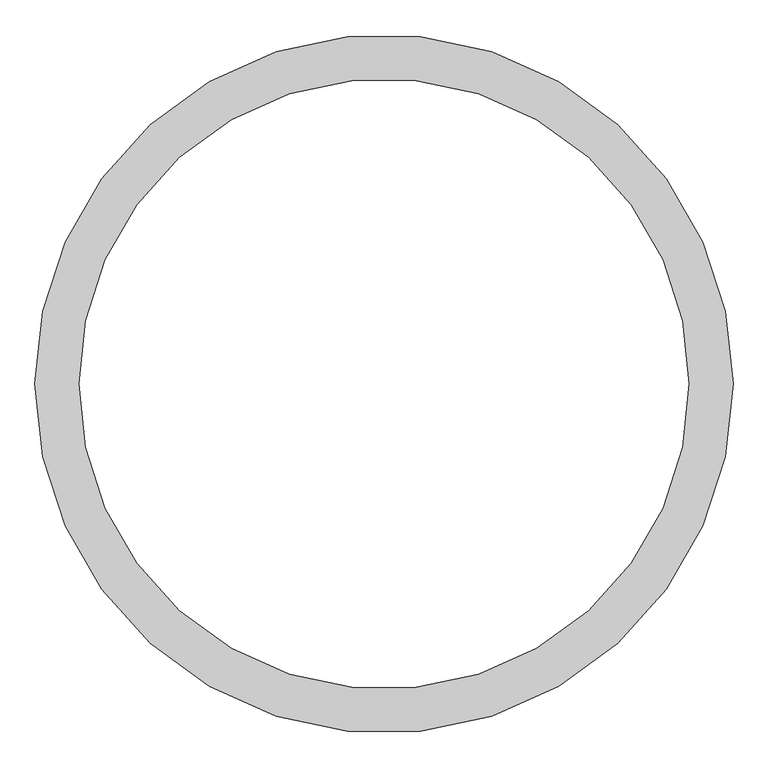
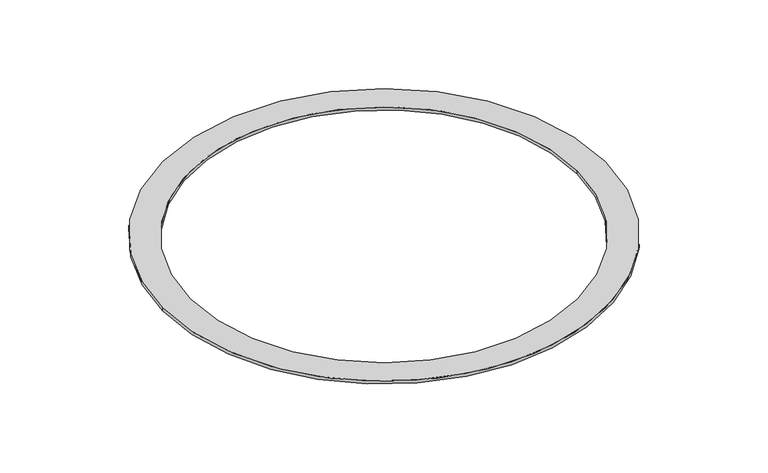
"""IFC4 building model written with IfcOpenShell, lengths in millimetres: furniture geometry."""

from ifc_helpers import new_model, si_unit, point, origin, origin_with_axes, origin_2d, place, context, project, spatial, circle_curve, trimmed, segment, composite_curve, outline, extrude, source, transform, mapped, element, save


def furniture_cc479563(model_context):
    return source(origin(), model_context, "Body", "SweptSolid", [
        extrude(outline(composite_curve([segment(trimmed(circle_curve(origin_2d(), 712.4123365), [point((-712.4123365, 0.0))], [point((712.4123365, 0.0))], False, "CARTESIAN"), True, "CONTINUOUS"), segment(trimmed(circle_curve(origin_2d(), 712.4123365), [point((712.4123365, 0.0))], [point((-712.4123365, 0.0))], False, "CARTESIAN"), True, "CONTINUOUS")], self_intersect=False), holes=[composite_curve([segment(trimmed(circle_curve(origin_2d(), 622.4123365), [point((622.4123365, 0.0))], [point((-622.4123365, 0.0))], True, "CARTESIAN"), True, "CONTINUOUS"), segment(trimmed(circle_curve(origin_2d(), 622.4123365), [point((-622.4123365, 0.0))], [point((622.4123365, 0.0))], True, "CARTESIAN"), True, "CONTINUOUS")], self_intersect=False)]), origin_with_axes(), (0.0, 0.0, 1.0), 10.0),
    ])


if __name__ == "__main__":
    model = new_model("IFC4")
    model_context = context("Model", 3, world=origin())
    ifc_project = project(units=[si_unit("LENGTHUNIT", "METRE", prefix="MILLI")], contexts=[model_context])
    site = spatial("IfcSite", under=ifc_project)
    building = spatial("IfcBuilding", under=site)
    placement = place(None, origin())
    furniture_shape = furniture_cc479563(model_context)
    element("IfcFurniture", 1, at=placement, inside=building, context=model_context, shape_type="MappedRepresentation", body=[
        mapped(furniture_shape, transform((0.0, 0.0, 0.0), x_axis=(1.0, 0.0, 0.0), y_axis=(0.0, 1.0, 0.0), z_axis=(0.0, 0.0, 1.0))),
    ])
    save(model, "model.ifc")
